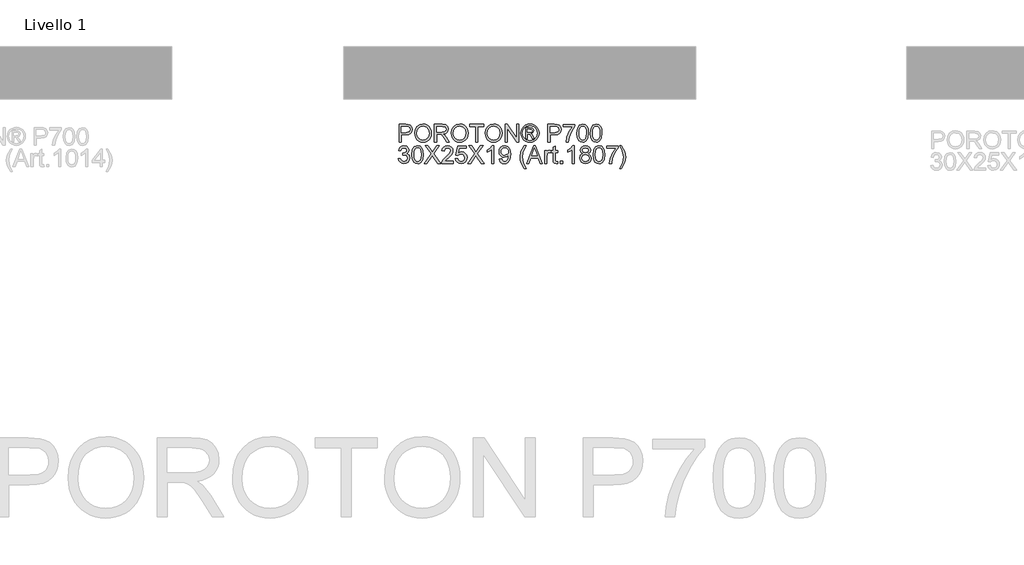
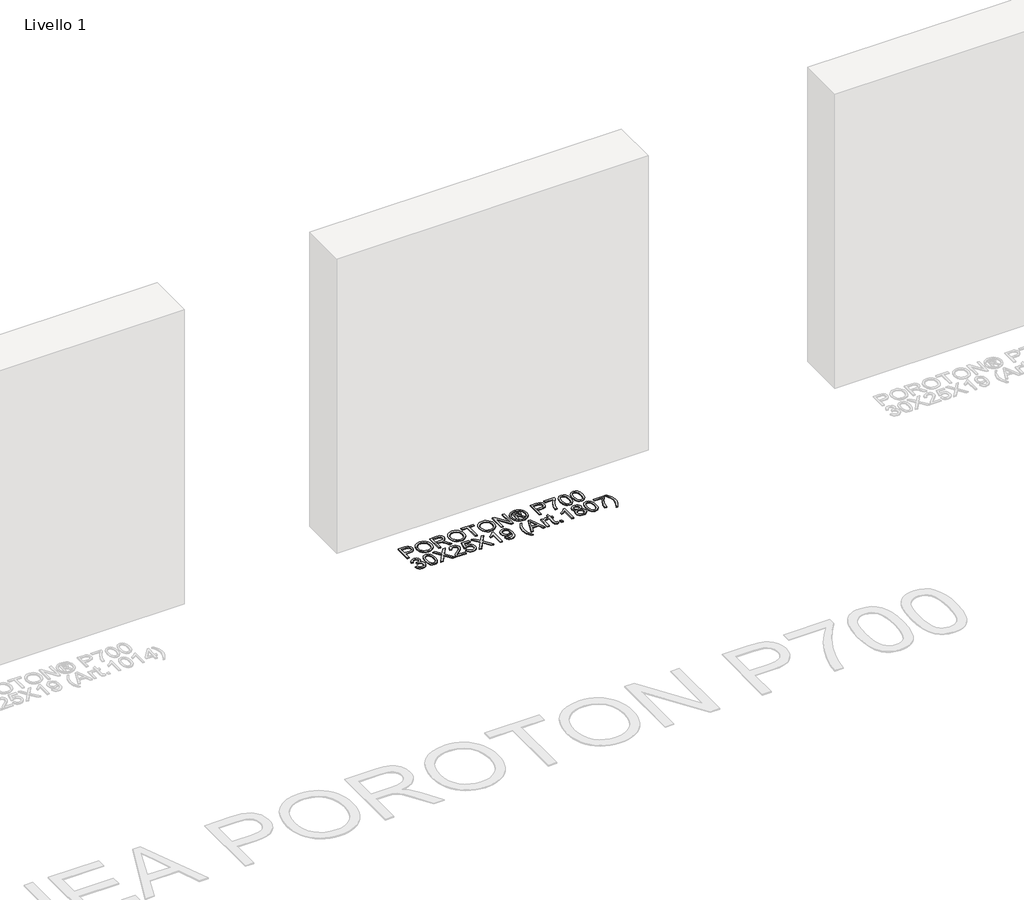
# One storey, part 4 of 5: 1 proxy.
"""IFC4 building model written with IfcOpenShell, lengths in millimetres."""

from ifc_helpers import new_model, si_unit, origin, origin_with_axes, place, context, project, spatial, polyline, outline, extrude, element, save

model = new_model("IFC4")

# Units and contexts
model_context = context("Model", 3, world=origin())
ifc_project = project(units=[si_unit("LENGTHUNIT", "METRE", prefix="MILLI")], contexts=[model_context])

# Site, building, storey
site = spatial("IfcSite", under=ifc_project)
building = spatial("IfcBuilding", under=site)
storey = spatial("IfcBuildingStorey", under=building, Name="Livello 1", Elevation=0.0)

# Proxy
placement = place(None, origin())
element("IfcBuildingElementProxy", 1, Name="100", ObjectType="100", at=placement, inside=storey, context=model_context, shape_type="SweptSolid", body=[
    extrude(outline(polyline([(715.9075663, 173.5471992), (715.9075663, 274.0035093), (753.1372242, 274.0035093), (768.1468096, 273.0470161), (780.3482291, 268.3503893), (788.257692, 258.6383046), (791.2497989, 244.9408317), (789.2295136, 233.1011628), (783.1686577, 223.235794), (771.8348266, 216.5771299), (753.9956155, 214.3575752), (728.4646051, 214.3575752), (728.4646051, 173.5471992), (715.9075663, 173.5471992)]), holes=[polyline([(728.4646051, 226.9146139), (754.7313795, 226.9146139), (773.2235811, 231.5254016), (777.3254654, 237.0742884), (778.6927601, 244.4993733), (775.4676613, 254.898171), (766.9941127, 260.5880792), (754.4370739, 261.4464705), (728.4646051, 261.4464705), (728.4646051, 226.9146139)])]), origin_with_axes(), (0.0, 0.0, 1.0), 5.0),
    extrude(outline(polyline([(803.8068377, 222.4509791), (807.1545638, 244.6649202), (817.1977423, 261.470996), (832.5322901, 272.0476034), (851.7541244, 275.5731392), (864.9304312, 273.9176702), (876.7455746, 268.9512632), (886.5557611, 261.0234062), (893.7171973, 250.4835871), (898.094993, 237.8407092), (899.5542583, 223.603676), (898.018351, 209.1765704), (893.410629, 196.3558829), (885.985544, 185.7976696), (875.9975479, 178.1579868), (864.283572, 173.5226737), (851.680548, 171.9775693), (838.3019061, 173.6851549), (826.4193176, 178.8079117), (816.6336566, 186.8829215), (809.5457968, 197.4472661), (803.8068377, 222.4509791)]), holes=[polyline([(816.3638764, 222.3283517), (818.8746711, 206.6136592), (826.4070549, 194.6391002), (837.7286233, 187.0607311), (851.6069716, 184.5346081), (865.6876549, 187.0852566), (877.0276174, 194.7372021), (884.504819, 207.079643), (886.9972195, 223.7017778), (882.7297884, 244.4257969), (870.2585887, 258.1477953), (851.8277008, 263.0161004), (838.3203002, 260.6708527), (826.8362506, 253.6351095), (818.98197, 241.1179246), (816.3638764, 222.3283517)])]), origin_with_axes(), (0.0, 0.0, 1.0), 5.0),
    extrude(outline(polyline([(916.8201866, 173.5471992), (916.8201866, 274.0035093), (960.1076347, 274.0035093), (980.2062544, 271.2934453), (991.1936633, 261.7039879), (995.3016789, 246.5104615), (993.6002247, 236.6144359), (988.495862, 228.4106674), (979.8353067, 222.3957968), (967.4652746, 219.0664647), (974.6021853, 213.6953876), (984.7802538, 200.7704668), (1001.5311473, 173.5471992), (986.9384949, 173.5471992), (973.8664213, 194.3693201), (964.4241168, 208.1526322), (957.7899781, 214.6641435), (951.8180271, 217.0553765), (944.5339636, 217.4968349), (929.3772254, 217.4968349), (929.3772254, 173.5471992), (916.8201866, 173.5471992)]), holes=[polyline([(929.3772254, 230.0538736), (957.4834098, 230.0538736), (971.8185449, 231.8319699), (979.9609997, 237.5218781), (982.7446401, 246.0444777), (977.4348767, 257.105463), (960.6471949, 261.4464705), (929.3772254, 261.4464705), (929.3772254, 230.0538736)])]), origin_with_axes(), (0.0, 0.0, 1.0), 5.0),
    extrude(outline(polyline([(1012.5676072, 222.4509791), (1015.9153334, 244.6649202), (1025.9585118, 261.470996), (1041.2930597, 272.0476034), (1060.5148939, 275.5731392), (1073.6912007, 273.9176702), (1085.5063441, 268.9512632), (1095.3165307, 261.0234062), (1102.4779668, 250.4835871), (1106.8557626, 237.8407092), (1108.3150278, 223.603676), (1106.7791205, 209.1765704), (1102.1713985, 196.3558829), (1094.7463136, 185.7976696), (1084.7583174, 178.1579868), (1073.0443415, 173.5226737), (1060.4413175, 171.9775693), (1047.0626756, 173.6851549), (1035.1800872, 178.8079117), (1025.3944261, 186.8829215), (1018.3065663, 197.4472661), (1012.5676072, 222.4509791)]), holes=[polyline([(1025.124646, 222.3283517), (1027.6354406, 206.6136592), (1035.1678244, 194.6391002), (1046.4893928, 187.0607311), (1060.3677411, 184.5346081), (1074.4484245, 187.0852566), (1085.788387, 194.7372021), (1093.2655885, 207.079643), (1095.757989, 223.7017778), (1091.4905579, 244.4257969), (1079.0193583, 258.1477953), (1060.5884703, 263.0161004), (1047.0810697, 260.6708527), (1035.5970201, 253.6351095), (1027.7427395, 241.1179246), (1025.124646, 222.3283517)])]), origin_with_axes(), (0.0, 0.0, 1.0), 5.0),
    extrude(outline(polyline([(1150.6950337, 173.5471992), (1150.6950337, 261.4464705), (1117.7328069, 261.4464705), (1117.7328069, 274.0035093), (1196.2142992, 274.0035093), (1196.2142992, 261.4464705), (1163.2520724, 261.4464705), (1163.2520724, 173.5471992), (1150.6950337, 173.5471992)])), origin_with_axes(), (0.0, 0.0, 1.0), 5.0),
    extrude(outline(polyline([(1205.6320783, 222.4509791), (1208.9798044, 244.6649202), (1219.0229829, 261.470996), (1234.3575307, 272.0476034), (1253.579365, 275.5731392), (1266.7556718, 273.9176702), (1278.5708152, 268.9512632), (1288.3810017, 261.0234062), (1295.5424379, 250.4835871), (1299.9202336, 237.8407092), (1301.3794989, 223.603676), (1299.8435916, 209.1765704), (1295.2358696, 196.3558829), (1287.8107846, 185.7976696), (1277.8227885, 178.1579868), (1266.1088126, 173.5226737), (1253.5057886, 171.9775693), (1240.1271467, 173.6851549), (1228.2445582, 178.8079117), (1218.4588972, 186.8829215), (1211.3710374, 197.4472661), (1205.6320783, 222.4509791)]), holes=[polyline([(1218.189117, 222.3283517), (1220.6999117, 206.6136592), (1228.2322955, 194.6391002), (1239.5538639, 187.0607311), (1253.4322122, 184.5346081), (1267.5128955, 187.0852566), (1278.852858, 194.7372021), (1286.3300596, 207.079643), (1288.8224601, 223.7017778), (1284.555029, 244.4257969), (1272.0838293, 258.1477953), (1253.6529414, 263.0161004), (1240.1455408, 260.6708527), (1228.6614912, 253.6351095), (1220.8072106, 241.1179246), (1218.189117, 222.3283517)])]), origin_with_axes(), (0.0, 0.0, 1.0), 5.0),
    extrude(outline(polyline([(1318.6454272, 173.5471992), (1318.6454272, 274.0035093), (1332.0853827, 274.0035093), (1384.5698807, 194.418371), (1384.5698807, 274.0035093), (1397.1269195, 274.0035093), (1397.1269195, 173.5471992), (1383.6869639, 173.5471992), (1331.202466, 253.1568629), (1331.202466, 173.5471992), (1318.6454272, 173.5471992)])), origin_with_axes(), (0.0, 0.0, 1.0), 5.0),
    extrude(outline(polyline([(1459.9366388, 275.5731392), (1472.8309027, 273.8992761), (1485.4185983, 268.8776868), (1496.476518, 260.7413634), (1504.781454, 249.7232976), (1509.9777872, 237.000712), (1511.7098983, 223.7508288), (1510.0023127, 210.6174415), (1504.8795559, 197.9990891), (1496.6757874, 187.0208772), (1485.7251667, 178.8079117), (1473.1160113, 173.6851549), (1459.9366388, 171.9775693), (1446.7756604, 173.6851549), (1434.1726364, 178.8079117), (1423.2128186, 187.0208772), (1414.981459, 197.9990891), (1409.8311111, 210.6174415), (1408.1143284, 223.7508288), (1409.8556365, 237.000712), (1415.0795609, 249.7232976), (1423.412088, 260.7413634), (1434.4792047, 268.8776868), (1447.060769, 273.8992761), (1459.9366388, 275.5731392)]), holes=[polyline([(1459.9366388, 266.1553601), (1439.1145179, 260.6739184), (1430.0860806, 254.0121886), (1423.2588039, 244.9898826), (1417.5321075, 223.7508288), (1423.1484393, 202.6957159), (1438.8692632, 187.0116802), (1459.9366388, 181.3953484), (1481.0162771, 187.0116802), (1496.7003129, 202.6957159), (1502.2921192, 223.7508288), (1496.602211, 244.9898826), (1489.7933284, 254.0121886), (1480.746497, 260.6739184), (1459.9366388, 266.1553601)])]), origin_with_axes(), (0.0, 0.0, 1.0), 5.0),
    extrude(outline(polyline([(1436.3676656, 192.3827573), (1436.3676656, 255.1679512), (1456.6502263, 255.1679512), (1471.7088626, 253.4389058), (1479.1278162, 247.4056411), (1481.8869312, 238.2453794), (1477.1289907, 226.3260027), (1464.522901, 220.6360945), (1469.4279943, 217.3006311), (1477.987382, 204.7681178), (1485.0261909, 192.3827573), (1474.4311894, 192.3827573), (1468.9129595, 202.3400967), (1459.6668587, 216.7610709), (1451.6470312, 219.0664647), (1445.7854447, 219.0664647), (1445.7854447, 192.3827573), (1436.3676656, 192.3827573)]), holes=[polyline([(1445.7854447, 228.4842438), (1457.7048214, 228.4842438), (1469.3544179, 230.8754767), (1472.4691521, 237.2153098), (1470.9730987, 241.7770465), (1466.8160321, 244.7691534), (1456.9445319, 245.7501721), (1445.7854447, 245.7501721), (1445.7854447, 228.4842438)])]), origin_with_axes(), (0.0, 0.0, 1.0), 5.0),
    extrude(outline(polyline([(1561.9380533, 173.5471992), (1561.9380533, 274.0035093), (1599.1677112, 274.0035093), (1614.1772966, 273.0470161), (1626.3787162, 268.3503893), (1634.2881791, 258.6383046), (1637.2802859, 244.9408317), (1635.2600007, 233.1011628), (1629.1991448, 223.235794), (1617.8653136, 216.5771299), (1600.0261026, 214.3575752), (1574.4950921, 214.3575752), (1574.4950921, 173.5471992), (1561.9380533, 173.5471992)]), holes=[polyline([(1574.4950921, 226.9146139), (1600.7618666, 226.9146139), (1619.2540682, 231.5254016), (1623.3559524, 237.0742884), (1624.7232472, 244.4993733), (1621.4981484, 254.898171), (1613.0245997, 260.5880792), (1600.467561, 261.4464705), (1574.4950921, 261.4464705), (1574.4950921, 226.9146139)])]), origin_with_axes(), (0.0, 0.0, 1.0), 5.0),
    extrude(outline(polyline([(1649.8373247, 259.8768407), (1649.8373247, 272.4338795), (1715.7617782, 272.4338795), (1715.7617782, 262.2803364), (1697.0611102, 235.2655352), (1682.7505005, 200.8440432), (1678.0906619, 173.5471992), (1665.5336232, 173.5471992), (1670.5245556, 201.8741128), (1684.2220285, 233.8921091), (1703.2047395, 259.8768407), (1649.8373247, 259.8768407)])), origin_with_axes(), (0.0, 0.0, 1.0), 5.0),
    extrude(outline(polyline([(1726.7491872, 222.9660138), (1730.4402699, 251.8692759), (1741.4031533, 268.5343303), (1759.7114139, 274.0035093), (1774.3776428, 270.7661478), (1784.5066604, 261.4342078), (1790.3927723, 246.5717752), (1792.6736407, 222.9660138), (1789.0193462, 194.1853791), (1778.093251, 177.4835365), (1769.8618913, 173.3540611), (1759.7114139, 171.9775693), (1746.6638658, 174.3688023), (1736.7555774, 181.5425012), (1729.2507847, 198.532518), (1726.7491872, 222.9660138)]), holes=[polyline([(1739.3062259, 222.9905393), (1740.7777539, 203.2383419), (1745.1923379, 191.8064089), (1751.7651628, 186.3525583), (1759.7114139, 184.5346081), (1767.657665, 186.3586896), (1774.23049, 191.8309343), (1778.645074, 203.2689987), (1780.1166019, 222.9905393), (1778.6941249, 242.2982127), (1774.4266937, 253.8190505), (1767.8661315, 259.5396155), (1759.5642611, 261.4464705), (1751.7038492, 259.7664761), (1745.3885416, 254.7264928), (1740.8268049, 242.4882851), (1739.3062259, 222.9905393)])]), origin_with_axes(), (0.0, 0.0, 1.0), 5.0),
    extrude(outline(polyline([(1803.6610496, 222.9660138), (1807.3521323, 251.8692759), (1818.3150158, 268.5343303), (1836.6232764, 274.0035093), (1851.2895053, 270.7661478), (1861.4185229, 261.4342078), (1867.3046348, 246.5717752), (1869.5855032, 222.9660138), (1865.9312087, 194.1853791), (1855.0051134, 177.4835365), (1846.7737538, 173.3540611), (1836.6232764, 171.9775693), (1823.5757283, 174.3688023), (1813.6674399, 181.5425012), (1806.1626472, 198.532518), (1803.6610496, 222.9660138)]), holes=[polyline([(1816.2180884, 222.9905393), (1817.6896164, 203.2383419), (1822.1042003, 191.8064089), (1828.6770253, 186.3525583), (1836.6232764, 184.5346081), (1844.5695275, 186.3586896), (1851.1423525, 191.8309343), (1855.5569364, 203.2689987), (1857.0284644, 222.9905393), (1855.6059873, 242.2982127), (1851.3385562, 253.8190505), (1844.777994, 259.5396155), (1836.4761236, 261.4464705), (1828.6157116, 259.7664761), (1822.3004041, 254.7264928), (1817.7386673, 242.4882851), (1816.2180884, 222.9905393)])]), origin_with_axes(), (0.0, 0.0, 1.0), 5.0),
    extrude(outline(polyline([(711.1986768, 78.2560887), (723.7557155, 79.8257185), (730.6841598, 66.6064922), (743.6458687, 62.5597902), (752.2543074, 63.9516105), (758.9007088, 68.1270711), (764.5660915, 81.9103832), (758.9497597, 94.8966176), (744.6759383, 100.0347028), (735.8712959, 98.6612767), (737.2692475, 111.2183155), (739.2803357, 111.0711627), (753.5296317, 114.6764062), (758.2753094, 119.2504057), (759.857202, 125.761917), (755.2709398, 135.5843663), (743.449665, 139.4716527), (731.4812374, 135.5475781), (725.3253454, 123.7753542), (712.7683066, 125.3449841), (716.4655207, 136.6205672), (723.044477, 145.0389336), (732.0453231, 150.281252), (743.0082066, 152.0286915), (758.1526821, 148.5828634), (768.7476835, 139.1650844), (772.4142408, 126.497681), (768.9316245, 114.9216609), (758.6309287, 106.6075278), (772.3161389, 98.0236146), (777.1231303, 81.689654), (774.7196346, 69.4514463), (767.5091475, 59.2243268), (756.6259718, 52.3081453), (743.2044103, 50.0027515), (731.0643045, 51.9709201), (721.1805416, 57.8754262), (714.3072796, 66.9069291), (711.1986768, 78.2560887)])), origin_with_axes(), (0.0, 0.0, 1.0), 5.0),
    extrude(outline(polyline([(788.1105392, 100.991196), (791.8016219, 129.8944581), (802.7645054, 146.5595125), (821.072766, 152.0286915), (835.7389949, 148.7913299), (845.8680125, 139.45939), (851.7541244, 124.5969574), (854.0349927, 100.991196), (850.3806983, 72.2105612), (839.454603, 55.5087187), (831.2232434, 51.3792433), (821.072766, 50.0027515), (808.0252179, 52.3939844), (798.1169295, 59.5676833), (790.6121368, 76.5577002), (788.1105392, 100.991196)]), holes=[polyline([(800.667578, 101.0157215), (802.139106, 81.263524), (806.5536899, 69.831591), (813.1265149, 64.3777404), (821.072766, 62.5597902), (829.0190171, 64.3838718), (835.5918421, 69.8561165), (840.006426, 81.2941808), (841.477954, 101.0157215), (840.0554769, 120.3233948), (835.7880458, 131.8442327), (829.2274835, 137.5647977), (820.9256132, 139.4716527), (813.0652012, 137.7916583), (806.7498936, 132.7516749), (802.1881569, 120.5134672), (800.667578, 101.0157215)])]), origin_with_axes(), (0.0, 0.0, 1.0), 5.0),
    extrude(outline(polyline([(858.7438823, 51.5723813), (897.4695936, 106.3132222), (865.0224017, 152.0286915), (880.081038, 152.0286915), (898.3525104, 126.3014773), (904.5084025, 116.2705615), (911.7188896, 126.4731555), (929.7941583, 152.0286915), (945.0735238, 152.0286915), (912.6263318, 106.1660694), (951.3520432, 51.5723813), (936.2934069, 51.5723813), (910.4926163, 87.9681734), (905.1215391, 95.522017), (899.2109018, 87.2324094), (874.0232478, 51.5723813), (858.7438823, 51.5723813)])), origin_with_axes(), (0.0, 0.0, 1.0), 5.0),
    extrude(outline(polyline([(1023.5550161, 64.1294201), (1023.5550161, 51.5723813), (957.6305626, 51.5723813), (958.9794632, 60.2298709), (966.6068833, 73.5594619), (982.3277072, 88.1153262), (1004.0082194, 109.035549), (1009.4283475, 123.2603194), (1004.3147878, 134.7750259), (990.9606714, 139.4716527), (977.0424692, 134.8853905), (971.7572312, 122.2057244), (959.2001924, 123.7753542), (962.2444159, 135.9215914), (968.826438, 144.7936789), (978.602902, 150.2199383), (991.2304515, 152.0286915), (1003.9499715, 150.0176032), (1013.7080414, 143.9843385), (1019.9160501, 134.9712296), (1021.9853863, 124.0206089), (1019.7535688, 112.113495), (1012.3346153, 99.8017109), (994.3451857, 82.5970962), (979.899686, 70.5183041), (974.2343033, 64.1294201), (1023.5550161, 64.1294201)])), origin_with_axes(), (0.0, 0.0, 1.0), 5.0),
    extrude(outline(polyline([(1036.1120549, 78.2560887), (1048.6690937, 79.8257185), (1054.996664, 66.888535), (1068.1177885, 62.5597902), (1077.1186346, 64.0650407), (1083.8631379, 68.5807922), (1088.0753867, 75.5858786), (1089.4794697, 84.5591336), (1084.2187571, 99.4706171), (1077.6122096, 103.5725013), (1068.3139922, 104.9397961), (1057.2897951, 102.7570296), (1050.2387235, 97.0916469), (1037.6816847, 98.6612767), (1048.6690937, 150.4590616), (1097.3276189, 150.4590616), (1097.3276189, 137.9020229), (1058.8226367, 137.9020229), (1053.4515596, 110.2372968), (1062.4217489, 115.6819503), (1071.8211339, 117.4968349), (1083.5535039, 115.2466233), (1093.2931797, 108.4959887), (1099.8506762, 98.2075556), (1102.0365084, 85.3439485), (1100.0683398, 72.7869097), (1094.1638337, 62.0447554), (1082.8575937, 53.0132525), (1068.0687375, 50.0027515), (1055.7354937, 51.9371976), (1045.9099787, 57.7405361), (1039.1746725, 66.7383166), (1036.1120549, 78.2560887)])), origin_with_axes(), (0.0, 0.0, 1.0), 5.0),
    extrude(outline(polyline([(1106.745398, 51.5723813), (1145.4711093, 106.3132222), (1113.0239174, 152.0286915), (1128.0825537, 152.0286915), (1146.3540261, 126.3014773), (1152.5099182, 116.2705615), (1159.7204053, 126.4731555), (1177.795674, 152.0286915), (1193.0750395, 152.0286915), (1160.6278475, 106.1660694), (1199.3535589, 51.5723813), (1184.2949226, 51.5723813), (1158.494132, 87.9681734), (1153.1230548, 95.522017), (1147.2124174, 87.2324094), (1122.0247635, 51.5723813), (1106.745398, 51.5723813)])), origin_with_axes(), (0.0, 0.0, 1.0), 5.0),
    extrude(outline(polyline([(1254.2906035, 51.5723813), (1241.7335647, 51.5723813), (1241.7335647, 129.8576699), (1229.8387136, 121.3841213), (1216.6194872, 115.0442882), (1216.6194872, 126.9146139), (1235.0258497, 138.6623123), (1246.1971996, 152.0286915), (1254.2906035, 152.0286915), (1254.2906035, 51.5723813)])), origin_with_axes(), (0.0, 0.0, 1.0), 5.0),
    extrude(outline(polyline([(1285.6832004, 76.6864589), (1298.2402392, 78.2560887), (1303.8810964, 66.2753984), (1314.5741998, 62.5597902), (1324.7400056, 64.9510232), (1331.6316616, 71.3399072), (1335.7396772, 82.2537397), (1337.5545617, 96.8218667), (1337.4809853, 99.2744134), (1327.4378069, 89.7585324), (1313.6667575, 86.1042379), (1302.2164304, 88.3360554), (1292.6852211, 95.0315077), (1286.2564832, 105.3751231), (1284.1135706, 118.5514299), (1286.3607164, 132.1630637), (1293.102154, 142.8316416), (1303.2281059, 149.729429), (1315.6287948, 152.0286915), (1333.5201225, 146.7802417), (1345.8319066, 131.8197072), (1350.0380241, 103.7135228), (1345.8441694, 73.2161054), (1340.6294421, 63.2250435), (1333.3729697, 55.9379143), (1324.387452, 51.4865422), (1313.9855886, 50.0027515), (1303.2495657, 51.7532566), (1294.6840466, 57.0047721), (1288.6937014, 65.4262041), (1285.6832004, 76.6864589)]), holes=[polyline([(1337.4809853, 118.8457355), (1336.1259533, 127.3560723), (1332.0608573, 133.9043718), (1325.7516811, 138.0798325), (1317.6644085, 139.4716527), (1309.276699, 137.9725336), (1302.5567213, 133.4751762), (1298.1421373, 126.5927172), (1296.6706093, 117.9382932), (1298.0624296, 110.1790488), (1302.2378902, 104.0200911), (1308.7923211, 100.0009803), (1317.321052, 98.6612767), (1331.8033399, 104.0200911), (1336.061574, 110.4059094), (1337.4809853, 118.8457355)])]), origin_with_axes(), (0.0, 0.0, 1.0), 5.0),
    extrude(outline(polyline([(1428.5195164, 23.3190441), (1410.6895024, 52.7741292), (1405.2264548, 69.9542183), (1403.4054389, 87.7474442), (1408.8500924, 118.2816498), (1428.5195164, 152.0286915), (1437.9372955, 152.0286915), (1426.1895971, 132.1385383), (1419.1262628, 112.8615217), (1415.9624776, 87.6738678), (1421.4561821, 55.4841932), (1437.9372955, 23.3190441), (1428.5195164, 23.3190441)])), origin_with_axes(), (0.0, 0.0, 1.0), 5.0),
    extrude(outline(polyline([(1440.3653167, 51.5723813), (1480.4644541, 152.0286915), (1491.1575575, 152.0286915), (1531.2566949, 51.5723813), (1517.9884176, 51.5723813), (1506.4859739, 82.9649782), (1465.1115122, 82.9649782), (1453.633594, 51.5723813), (1440.3653167, 51.5723813)]), holes=[polyline([(1469.7222999, 95.522017), (1501.8997117, 95.522017), (1492.8498146, 120.2191616), (1485.8110058, 139.4716527), (1479.5570119, 122.3774027), (1469.7222999, 95.522017)])]), origin_with_axes(), (0.0, 0.0, 1.0), 5.0),
    extrude(outline(polyline([(1543.1024952, 51.5723813), (1543.1024952, 125.3449841), (1554.0899041, 125.3449841), (1554.0899041, 114.4311516), (1561.8890024, 124.4865928), (1569.7371516, 126.9146139), (1582.3432413, 123.0395902), (1578.1493866, 111.7824012), (1569.3202187, 114.3575752), (1562.2200962, 111.8805031), (1557.6951477, 105.0133725), (1555.6595339, 90.3471436), (1555.6595339, 51.5723813), (1543.1024952, 51.5723813)])), origin_with_axes(), (0.0, 0.0, 1.0), 5.0),
    extrude(outline(polyline([(1616.8750979, 62.0447554), (1618.4447278, 51.2044993), (1609.0514742, 50.0027515), (1598.5300491, 52.0874161), (1593.2815993, 57.5565951), (1591.7610204, 71.8058911), (1591.7610204, 112.7879453), (1582.3432413, 112.7879453), (1582.3432413, 125.3449841), (1591.7610204, 125.3449841), (1591.7610204, 143.2731), (1604.3180592, 150.6552654), (1604.3180592, 125.3449841), (1616.8750979, 125.3449841), (1616.8750979, 112.7879453), (1604.3180592, 112.7879453), (1604.3180592, 72.173773), (1604.9802468, 65.6990499), (1607.1262251, 63.4059188), (1611.405919, 62.5597902), (1616.8750979, 62.0447554)])), origin_with_axes(), (0.0, 0.0, 1.0), 5.0),
    extrude(outline(polyline([(1632.5713964, 51.5723813), (1632.5713964, 64.1294201), (1645.1284352, 64.1294201), (1645.1284352, 51.5723813), (1632.5713964, 51.5723813)])), origin_with_axes(), (0.0, 0.0, 1.0), 5.0),
    extrude(outline(polyline([(1712.6225186, 51.5723813), (1700.0654798, 51.5723813), (1700.0654798, 129.8576699), (1688.1706286, 121.3841213), (1674.9514023, 115.0442882), (1674.9514023, 126.9146139), (1693.3577647, 138.6623123), (1704.5291147, 152.0286915), (1712.6225186, 152.0286915), (1712.6225186, 51.5723813)])), origin_with_axes(), (0.0, 0.0, 1.0), 5.0),
    extrude(outline(polyline([(1760.7414835, 106.9018334), (1749.3003535, 114.7009317), (1745.5847453, 126.8410375), (1747.6080963, 136.6573554), (1753.6781492, 144.7691534), (1763.1143224, 150.213807), (1775.2360341, 152.0286915), (1787.4313223, 150.1708874), (1796.9901228, 144.5974752), (1803.1705403, 136.3569185), (1805.2306795, 126.497681), (1801.5641223, 114.6641435), (1790.4418233, 106.9018334), (1803.7959397, 97.0548587), (1808.3699392, 80.8067372), (1806.1013335, 68.8015214), (1799.2955166, 58.8809703), (1788.7863543, 52.2223062), (1775.4077124, 50.0027515), (1762.0290705, 52.2315032), (1751.5199082, 58.9177585), (1744.7140913, 68.9333458), (1742.4454856, 81.1500937), (1747.2034261, 97.7783599), (1760.7414835, 106.9018334)]), holes=[polyline([(1755.0025244, 81.5915521), (1757.0994518, 72.1369848), (1764.5184053, 65.0613878), (1775.5058143, 62.5597902), (1784.0529393, 63.8749684), (1790.4663487, 67.8205028), (1795.8129004, 81.1991447), (1790.2946705, 94.8353039), (1783.7341082, 98.8820059), (1775.0888813, 100.2309065), (1766.661318, 98.9004), (1760.3122879, 94.9088803), (1755.0025244, 81.5915521)]), polyline([(1758.1417841, 126.4731555), (1762.5931562, 116.6139181), (1775.5548652, 112.7879453), (1788.2590568, 116.5893926), (1792.6736407, 125.9090698), (1788.111904, 135.5598408), (1775.4077124, 139.4716527), (1762.6667326, 135.6456799), (1758.1417841, 126.4731555)])]), origin_with_axes(), (0.0, 0.0, 1.0), 5.0),
    extrude(outline(polyline([(1819.3573481, 100.991196), (1823.0484308, 129.8944581), (1834.0113142, 146.5595125), (1852.3195749, 152.0286915), (1866.9858037, 148.7913299), (1877.1148213, 139.45939), (1883.0009333, 124.5969574), (1885.2818016, 100.991196), (1881.6275071, 72.2105612), (1870.7014119, 55.5087187), (1862.4700522, 51.3792433), (1852.3195749, 50.0027515), (1839.2720268, 52.3939844), (1829.3637384, 59.5676833), (1821.8589457, 76.5577002), (1819.3573481, 100.991196)]), holes=[polyline([(1831.9143869, 101.0157215), (1833.3859148, 81.263524), (1837.8004988, 69.831591), (1844.3733238, 64.3777404), (1852.3195749, 62.5597902), (1860.265826, 64.3838718), (1866.8386509, 69.8561165), (1871.2532349, 81.2941808), (1872.7247629, 101.0157215), (1871.3022858, 120.3233948), (1867.0348547, 131.8442327), (1860.4742924, 137.5647977), (1852.1724221, 139.4716527), (1844.3120101, 137.7916583), (1837.9967025, 132.7516749), (1833.4349658, 120.5134672), (1831.9143869, 101.0157215)])]), origin_with_axes(), (0.0, 0.0, 1.0), 5.0),
    extrude(outline(polyline([(1896.2692105, 137.9020229), (1896.2692105, 150.4590616), (1962.1936641, 150.4590616), (1962.1936641, 140.3055186), (1943.492996, 113.2907174), (1929.1823864, 78.8692254), (1924.5225478, 51.5723813), (1911.965509, 51.5723813), (1916.9564414, 79.8992949), (1930.6539144, 111.9172913), (1949.6366253, 137.9020229), (1896.2692105, 137.9020229)])), origin_with_axes(), (0.0, 0.0, 1.0), 5.0),
    extrude(outline(polyline([(1979.4595924, 23.3190441), (1970.0418133, 23.3190441), (1986.5229267, 55.4841932), (1992.0166312, 87.6738678), (1988.852846, 112.6407925), (1981.8630881, 131.9423345), (1970.0418133, 152.0286915), (1979.4595924, 152.0286915), (1999.1290164, 118.2816498), (2004.5736699, 87.7474442), (2002.743457, 69.9542183), (1997.2528182, 52.7741292), (1979.4595924, 23.3190441)])), origin_with_axes(), (0.0, 0.0, 1.0), 5.0),
])

save(model, "model.ifc")
